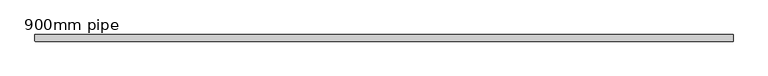
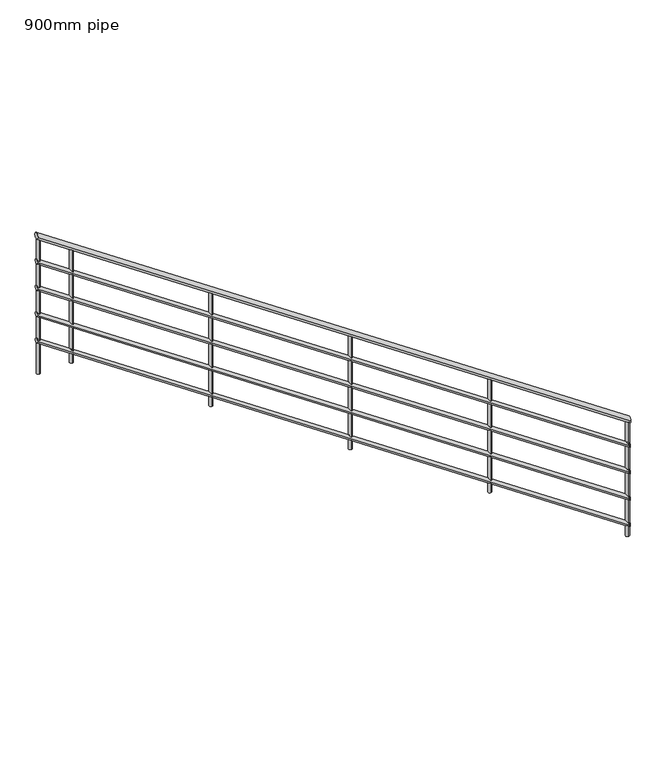
"""IFC4 building model written with IfcOpenShell, lengths in millimetres: railing geometry, 900mm pipe."""

from ifc_helpers import new_model, si_unit, frame, origin, place, context, project, spatial, circle_curve, ellipse_curve, source, transform, mapped, element, save
from ifc_brep_helpers import plane_surface, cylinder_surface, advanced_brep


def railing_900mm_pipe_7c5fc4c9(model_context):
    return source(origin(), model_context, "Body", "AdvancedBrep", [
        advanced_brep(
        [(5814.840733, -1112.1565905, -2004.7165383), (5814.840733, -1152.1565905, -2004.7165383), (1564.840733, -1112.1565905, 875.8390173), (1564.840733, -1152.1565905, 875.8390173)],
        [
            (0, 1, ellipse_curve(frame((5814.840733, -1132.1565905, -2004.7165383), z_axis=(1.0, 0.0, 0.0), x_axis=(0.0, 0.0, -1.0)), 24.1609827, 20.0)),
            (1, 0, ellipse_curve(frame((5814.840733, -1132.1565905, -2004.7165383), z_axis=(1.0, 0.0, 0.0), x_axis=(0.0, 0.0, -1.0)), 24.1609827, 20.0)),
            (2, 3, ellipse_curve(frame((1564.840733, -1132.1565905, 875.8390173), z_axis=(-1.0, 0.0, 0.0), x_axis=(0.0, 0.0, -1.0)), 24.1609827, 20.0)),
            (3, 2, ellipse_curve(frame((1564.840733, -1132.1565905, 875.8390173), z_axis=(-1.0, 0.0, 0.0), x_axis=(0.0, 0.0, -1.0)), 24.1609827, 20.0)),
            (0, 2),
            (3, 1),
        ],
        [
            plane_surface(frame((5814.840733, -1132.1565905, -1980.5555556), z_axis=(1.0, 0.0, 0.0), x_axis=(0.0, -1.0, 0.0))),
            plane_surface(frame((1564.840733, -1132.1565905, 900.0), z_axis=(-1.0, 0.0, 0.0), x_axis=(0.0, -1.0, 0.0))),
            cylinder_surface(frame((5803.6197031, -1132.1565905, -1997.1111735), z_axis=(0.8277808988368524, 0.0, -0.5610514981005335), x_axis=(0.0, -1.0, 0.0)), 20.0),
        ],
        [
            (0, [[1, 2]]),
            (1, [[3, 4]]),
            (2, [[-1, 5, -4, 6]]),
            (2, [[-2, -6, -3, -5]]),
        ],
    ),
        advanced_brep(
        [(5814.840733, -1117.1565905, -2198.6762926), (5814.840733, -1147.1565905, -2198.6762926), (1564.840733, -1117.1565905, 681.879263), (1564.840733, -1147.1565905, 681.879263)],
        [
            (0, 1, ellipse_curve(frame((5814.840733, -1132.1565905, -2198.6762926), z_axis=(1.0, 0.0, 0.0), x_axis=(0.0, 0.0, -1.0)), 18.120737, 15.0)),
            (1, 0, ellipse_curve(frame((5814.840733, -1132.1565905, -2198.6762926), z_axis=(1.0, 0.0, 0.0), x_axis=(0.0, 0.0, -1.0)), 18.120737, 15.0)),
            (2, 3, ellipse_curve(frame((1564.840733, -1132.1565905, 681.879263), z_axis=(-1.0, 0.0, 0.0), x_axis=(0.0, 0.0, -1.0)), 18.120737, 15.0)),
            (3, 2, ellipse_curve(frame((1564.840733, -1132.1565905, 681.879263), z_axis=(-1.0, 0.0, 0.0), x_axis=(0.0, 0.0, -1.0)), 18.120737, 15.0)),
            (0, 2),
            (3, 1),
        ],
        [
            plane_surface(frame((5814.840733, -1132.1565905, -2180.5555556), z_axis=(1.0, 0.0, 0.0), x_axis=(0.0, -1.0, 0.0))),
            plane_surface(frame((1564.840733, -1132.1565905, 700.0), z_axis=(-1.0, 0.0, 0.0), x_axis=(0.0, -1.0, 0.0))),
            cylinder_surface(frame((5806.4249606, -1132.1565905, -2192.972269), z_axis=(0.8277808988368524, 0.0, -0.5610514981005335), x_axis=(0.0, -1.0, 0.0)), 15.0),
        ],
        [
            (0, [[1, 2]]),
            (1, [[3, 4]]),
            (2, [[-1, 5, -4, 6]]),
            (2, [[-2, -6, -3, -5]]),
        ],
    ),
        advanced_brep(
        [(5814.840733, -1117.1565905, -2398.6762926), (5814.840733, -1147.1565905, -2398.6762926), (1564.840733, -1117.1565905, 481.879263), (1564.840733, -1147.1565905, 481.879263)],
        [
            (0, 1, ellipse_curve(frame((5814.840733, -1132.1565905, -2398.6762926), z_axis=(1.0, 0.0, 0.0), x_axis=(0.0, 0.0, -1.0)), 18.120737, 15.0)),
            (1, 0, ellipse_curve(frame((5814.840733, -1132.1565905, -2398.6762926), z_axis=(1.0, 0.0, 0.0), x_axis=(0.0, 0.0, -1.0)), 18.120737, 15.0)),
            (2, 3, ellipse_curve(frame((1564.840733, -1132.1565905, 481.879263), z_axis=(-1.0, 0.0, 0.0), x_axis=(0.0, 0.0, -1.0)), 18.120737, 15.0)),
            (3, 2, ellipse_curve(frame((1564.840733, -1132.1565905, 481.879263), z_axis=(-1.0, 0.0, 0.0), x_axis=(0.0, 0.0, -1.0)), 18.120737, 15.0)),
            (0, 2),
            (3, 1),
        ],
        [
            plane_surface(frame((5814.840733, -1132.1565905, -2380.5555556), z_axis=(1.0, 0.0, 0.0), x_axis=(0.0, -1.0, 0.0))),
            plane_surface(frame((1564.840733, -1132.1565905, 500.0), z_axis=(-1.0, 0.0, 0.0), x_axis=(0.0, -1.0, 0.0))),
            cylinder_surface(frame((5806.4249606, -1132.1565905, -2392.972269), z_axis=(0.8277808988368524, 0.0, -0.5610514981005335), x_axis=(0.0, -1.0, 0.0)), 15.0),
        ],
        [
            (0, [[1, 2]]),
            (1, [[3, 4]]),
            (2, [[-1, 5, -4, 6]]),
            (2, [[-2, -6, -3, -5]]),
        ],
    ),
        advanced_brep(
        [(5814.840733, -1117.1565905, -2598.6762926), (5814.840733, -1147.1565905, -2598.6762926), (1564.840733, -1117.1565905, 281.879263), (1564.840733, -1147.1565905, 281.879263)],
        [
            (0, 1, ellipse_curve(frame((5814.840733, -1132.1565905, -2598.6762926), z_axis=(1.0, 0.0, 0.0), x_axis=(0.0, 0.0, -1.0)), 18.120737, 15.0)),
            (1, 0, ellipse_curve(frame((5814.840733, -1132.1565905, -2598.6762926), z_axis=(1.0, 0.0, 0.0), x_axis=(0.0, 0.0, -1.0)), 18.120737, 15.0)),
            (2, 3, ellipse_curve(frame((1564.840733, -1132.1565905, 281.879263), z_axis=(-1.0, 0.0, 0.0), x_axis=(0.0, 0.0, -1.0)), 18.120737, 15.0)),
            (3, 2, ellipse_curve(frame((1564.840733, -1132.1565905, 281.879263), z_axis=(-1.0, 0.0, 0.0), x_axis=(0.0, 0.0, -1.0)), 18.120737, 15.0)),
            (0, 2),
            (3, 1),
        ],
        [
            plane_surface(frame((5814.840733, -1132.1565905, -2580.5555556), z_axis=(1.0, 0.0, 0.0), x_axis=(0.0, -1.0, 0.0))),
            plane_surface(frame((1564.840733, -1132.1565905, 300.0), z_axis=(-1.0, 0.0, 0.0), x_axis=(0.0, -1.0, 0.0))),
            cylinder_surface(frame((5806.4249606, -1132.1565905, -2592.972269), z_axis=(0.8277808988368524, 0.0, -0.5610514981005335), x_axis=(0.0, -1.0, 0.0)), 15.0),
        ],
        [
            (0, [[1, 2]]),
            (1, [[3, 4]]),
            (2, [[-1, 5, -4, 6]]),
            (2, [[-2, -6, -3, -5]]),
        ],
    ),
        advanced_brep(
        [(5814.840733, -1117.1565905, -2798.6762926), (5814.840733, -1147.1565905, -2798.6762926), (1564.840733, -1117.1565905, 81.879263), (1564.840733, -1147.1565905, 81.879263)],
        [
            (0, 1, ellipse_curve(frame((5814.840733, -1132.1565905, -2798.6762926), z_axis=(1.0, 0.0, 0.0), x_axis=(0.0, 0.0, -1.0)), 18.120737, 15.0)),
            (1, 0, ellipse_curve(frame((5814.840733, -1132.1565905, -2798.6762926), z_axis=(1.0, 0.0, 0.0), x_axis=(0.0, 0.0, -1.0)), 18.120737, 15.0)),
            (2, 3, ellipse_curve(frame((1564.840733, -1132.1565905, 81.879263), z_axis=(-1.0, 0.0, 0.0), x_axis=(0.0, 0.0, -1.0)), 18.120737, 15.0)),
            (3, 2, ellipse_curve(frame((1564.840733, -1132.1565905, 81.879263), z_axis=(-1.0, 0.0, 0.0), x_axis=(0.0, 0.0, -1.0)), 18.120737, 15.0)),
            (0, 2),
            (3, 1),
        ],
        [
            plane_surface(frame((5814.840733, -1132.1565905, -2780.5555556), z_axis=(1.0, 0.0, 0.0), x_axis=(0.0, -1.0, 0.0))),
            plane_surface(frame((1564.840733, -1132.1565905, 100.0), z_axis=(-1.0, 0.0, 0.0), x_axis=(0.0, -1.0, 0.0))),
            cylinder_surface(frame((5806.4249606, -1132.1565905, -2792.972269), z_axis=(0.8277808988368524, 0.0, -0.5610514981005335), x_axis=(0.0, -1.0, 0.0)), 15.0),
        ],
        [
            (0, [[1, 2]]),
            (1, [[3, 4]]),
            (2, [[-1, 5, -4, 6]]),
            (2, [[-2, -6, -3, -5]]),
        ],
    ),
        advanced_brep(
        [(1814.840733, -1144.6565905, 690.5555556), (1814.840733, -1119.6565905, 690.5555556), (1814.840733, -1119.6565905, -169.4444444), (1814.840733, -1144.6565905, -169.4444444)],
        [
            (0, 1, ellipse_curve(frame((1814.840733, -1132.1565905, 690.5555556), z_axis=(-0.5610514981005325, 0.0, -0.8277808988368531), x_axis=(-0.8277808988368532, 0.0, 0.5610514981005321)), 15.1006142, 12.5)),
            (1, 2),
            (2, 3, circle_curve(frame((1814.840733, -1132.1565905, -169.4444444), z_axis=(0.0, 0.0, 1.0), x_axis=(0.0, 1.0, 0.0)), 12.5)),
            (3, 0),
            (3, 2, circle_curve(frame((1814.840733, -1132.1565905, -169.4444444), z_axis=(0.0, 0.0, 1.0), x_axis=(0.0, 1.0, 0.0)), 12.5)),
            (1, 0, ellipse_curve(frame((1814.840733, -1132.1565905, 690.5555556), z_axis=(-0.5610514981005325, 0.0, -0.8277808988368531), x_axis=(-0.8277808988368532, 0.0, 0.5610514981005321)), 15.1006142, 12.5)),
        ],
        [
            cylinder_surface(frame((1814.840733, -1132.1565905, -269.4444444), z_axis=(0.0, 0.0, 1.0), x_axis=(0.0, 1.0, 0.0)), 12.5),
            plane_surface(frame((1789.840733, -1107.1565905, 707.5), z_axis=(0.5610514981005325, 0.0, 0.8277808988368531), x_axis=(0.0, -1.0, 0.0))),
            plane_surface(frame((1839.840733, -1107.1565905, -169.4444444), z_axis=(0.0, 0.0, -1.0), x_axis=(0.0, -1.0, 0.0))),
        ],
        [
            (0, [[1, 2, 3, 4]]),
            (0, [[5, -2, 6, -4]]),
            (1, [[-6, -1]]),
            (2, [[-5, -3]]),
        ],
    ),
        advanced_brep(
        [(2814.840733, -1144.6565905, 12.7777778), (2814.840733, -1119.6565905, 12.7777778), (2814.840733, -1119.6565905, -847.2222222), (2814.840733, -1144.6565905, -847.2222222)],
        [
            (0, 1, ellipse_curve(frame((2814.840733, -1132.1565905, 12.7777778), z_axis=(-0.5610514981005325, 0.0, -0.8277808988368531), x_axis=(-0.8277808988368532, 0.0, 0.5610514981005321)), 15.1006142, 12.5)),
            (1, 2),
            (2, 3, circle_curve(frame((2814.840733, -1132.1565905, -847.2222222), z_axis=(0.0, 0.0, 1.0), x_axis=(0.0, 1.0, 0.0)), 12.5)),
            (3, 0),
            (3, 2, circle_curve(frame((2814.840733, -1132.1565905, -847.2222222), z_axis=(0.0, 0.0, 1.0), x_axis=(0.0, 1.0, 0.0)), 12.5)),
            (1, 0, ellipse_curve(frame((2814.840733, -1132.1565905, 12.7777778), z_axis=(-0.5610514981005325, 0.0, -0.8277808988368531), x_axis=(-0.8277808988368532, 0.0, 0.5610514981005321)), 15.1006142, 12.5)),
        ],
        [
            cylinder_surface(frame((2814.840733, -1132.1565905, -947.2222222), z_axis=(0.0, 0.0, 1.0), x_axis=(0.0, 1.0, 0.0)), 12.5),
            plane_surface(frame((2789.840733, -1107.1565905, 29.7222222), z_axis=(0.5610514981005325, 0.0, 0.8277808988368531), x_axis=(0.0, -1.0, 0.0))),
            plane_surface(frame((2839.840733, -1107.1565905, -847.2222222), z_axis=(0.0, 0.0, -1.0), x_axis=(0.0, -1.0, 0.0))),
        ],
        [
            (0, [[1, 2, 3, 4]]),
            (0, [[5, -2, 6, -4]]),
            (1, [[-6, -1]]),
            (2, [[-5, -3]]),
        ],
    ),
        advanced_brep(
        [(3814.840733, -1144.6565905, -665.0), (3814.840733, -1119.6565905, -665.0), (3814.840733, -1119.6565905, -1525.0), (3814.840733, -1144.6565905, -1525.0)],
        [
            (0, 1, ellipse_curve(frame((3814.840733, -1132.1565905, -665.0), z_axis=(-0.5610514981005325, 0.0, -0.8277808988368531), x_axis=(-0.8277808988368532, 0.0, 0.5610514981005321)), 15.1006142, 12.5)),
            (1, 2),
            (2, 3, circle_curve(frame((3814.840733, -1132.1565905, -1525.0), z_axis=(0.0, 0.0, 1.0), x_axis=(0.0, 1.0, 0.0)), 12.5)),
            (3, 0),
            (3, 2, circle_curve(frame((3814.840733, -1132.1565905, -1525.0), z_axis=(0.0, 0.0, 1.0), x_axis=(0.0, 1.0, 0.0)), 12.5)),
            (1, 0, ellipse_curve(frame((3814.840733, -1132.1565905, -665.0), z_axis=(-0.5610514981005325, 0.0, -0.8277808988368531), x_axis=(-0.8277808988368532, 0.0, 0.5610514981005321)), 15.1006142, 12.5)),
        ],
        [
            cylinder_surface(frame((3814.840733, -1132.1565905, -1625.0), z_axis=(0.0, 0.0, 1.0), x_axis=(0.0, 1.0, 0.0)), 12.5),
            plane_surface(frame((3789.840733, -1107.1565905, -648.0555556), z_axis=(0.5610514981005325, 0.0, 0.8277808988368531), x_axis=(0.0, -1.0, 0.0))),
            plane_surface(frame((3839.840733, -1107.1565905, -1525.0), z_axis=(0.0, 0.0, -1.0), x_axis=(0.0, -1.0, 0.0))),
        ],
        [
            (0, [[1, 2, 3, 4]]),
            (0, [[5, -2, 6, -4]]),
            (1, [[-6, -1]]),
            (2, [[-5, -3]]),
        ],
    ),
        advanced_brep(
        [(4814.840733, -1144.6565905, -1342.7777778), (4814.840733, -1119.6565905, -1342.7777778), (4814.840733, -1119.6565905, -2202.7777778), (4814.840733, -1144.6565905, -2202.7777778)],
        [
            (0, 1, ellipse_curve(frame((4814.840733, -1132.1565905, -1342.7777778), z_axis=(-0.5610514981005325, 0.0, -0.8277808988368531), x_axis=(-0.8277808988368532, 0.0, 0.5610514981005321)), 15.1006142, 12.5)),
            (1, 2),
            (2, 3, circle_curve(frame((4814.840733, -1132.1565905, -2202.7777778), z_axis=(0.0, 0.0, 1.0), x_axis=(0.0, 1.0, 0.0)), 12.5)),
            (3, 0),
            (3, 2, circle_curve(frame((4814.840733, -1132.1565905, -2202.7777778), z_axis=(0.0, 0.0, 1.0), x_axis=(0.0, 1.0, 0.0)), 12.5)),
            (1, 0, ellipse_curve(frame((4814.840733, -1132.1565905, -1342.7777778), z_axis=(-0.5610514981005325, 0.0, -0.8277808988368531), x_axis=(-0.8277808988368532, 0.0, 0.5610514981005321)), 15.1006142, 12.5)),
        ],
        [
            cylinder_surface(frame((4814.840733, -1132.1565905, -2302.7777778), z_axis=(0.0, 0.0, 1.0), x_axis=(0.0, 1.0, 0.0)), 12.5),
            plane_surface(frame((4789.840733, -1107.1565905, -1325.8333333), z_axis=(0.5610514981005325, 0.0, 0.8277808988368531), x_axis=(0.0, -1.0, 0.0))),
            plane_surface(frame((4839.840733, -1107.1565905, -2202.7777778), z_axis=(0.0, 0.0, -1.0), x_axis=(0.0, -1.0, 0.0))),
        ],
        [
            (0, [[1, 2, 3, 4]]),
            (0, [[5, -2, 6, -4]]),
            (1, [[-6, -1]]),
            (2, [[-5, -3]]),
        ],
    ),
        advanced_brep(
        [(1577.340733, -1144.6565905, 851.5277778), (1577.340733, -1119.6565905, 851.5277778), (1577.340733, -1119.6565905, -169.4444444), (1577.340733, -1144.6565905, -169.4444444)],
        [
            (0, 1, ellipse_curve(frame((1577.340733, -1132.1565905, 851.5277778), z_axis=(-0.5610514981005325, 0.0, -0.8277808988368531), x_axis=(-0.8277808988368532, 0.0, 0.5610514981005321)), 15.1006142, 12.5)),
            (1, 2),
            (2, 3, circle_curve(frame((1577.340733, -1132.1565905, -169.4444444), z_axis=(0.0, 0.0, 1.0), x_axis=(0.0, 1.0, 0.0)), 12.5)),
            (3, 0),
            (3, 2, circle_curve(frame((1577.340733, -1132.1565905, -169.4444444), z_axis=(0.0, 0.0, 1.0), x_axis=(0.0, 1.0, 0.0)), 12.5)),
            (1, 0, ellipse_curve(frame((1577.340733, -1132.1565905, 851.5277778), z_axis=(-0.5610514981005325, 0.0, -0.8277808988368531), x_axis=(-0.8277808988368532, 0.0, 0.5610514981005321)), 15.1006142, 12.5)),
        ],
        [
            cylinder_surface(frame((1577.340733, -1132.1565905, -269.4444444), z_axis=(0.0, 0.0, 1.0), x_axis=(0.0, 1.0, 0.0)), 12.5),
            plane_surface(frame((1552.340733, -1107.1565905, 868.4722222), z_axis=(0.5610514981005325, 0.0, 0.8277808988368531), x_axis=(0.0, -1.0, 0.0))),
            plane_surface(frame((1602.340733, -1107.1565905, -169.4444444), z_axis=(0.0, 0.0, -1.0), x_axis=(0.0, -1.0, 0.0))),
        ],
        [
            (0, [[1, 2, 3, 4]]),
            (0, [[5, -2, 6, -4]]),
            (1, [[-6, -1]]),
            (2, [[-5, -3]]),
        ],
    ),
        advanced_brep(
        [(5802.340733, -1144.6565905, -2012.0833333), (5802.340733, -1119.6565905, -2012.0833333), (5802.340733, -1119.6565905, -2880.5555556), (5802.340733, -1144.6565905, -2880.5555556)],
        [
            (0, 1, ellipse_curve(frame((5802.340733, -1132.1565905, -2012.0833333), z_axis=(-0.5610514981005339, 0.0, -0.827780898836852), x_axis=(-0.8277808988368521, 0.0, 0.5610514981005339)), 15.1006142, 12.5)),
            (1, 2),
            (2, 3, circle_curve(frame((5802.340733, -1132.1565905, -2880.5555556), z_axis=(0.0, 0.0, 1.0), x_axis=(0.0, 1.0, 0.0)), 12.5)),
            (3, 0),
            (3, 2, circle_curve(frame((5802.340733, -1132.1565905, -2880.5555556), z_axis=(0.0, 0.0, 1.0), x_axis=(0.0, 1.0, 0.0)), 12.5)),
            (1, 0, ellipse_curve(frame((5802.340733, -1132.1565905, -2012.0833333), z_axis=(-0.5610514981005339, 0.0, -0.827780898836852), x_axis=(-0.8277808988368521, 0.0, 0.5610514981005339)), 15.1006142, 12.5)),
        ],
        [
            cylinder_surface(frame((5802.340733, -1132.1565905, -2980.5555556), z_axis=(0.0, 0.0, 1.0), x_axis=(0.0, 1.0, 0.0)), 12.5),
            plane_surface(frame((5777.340733, -1107.1565905, -1995.1388889), z_axis=(0.5610514981005339, 0.0, 0.827780898836852), x_axis=(0.0, -1.0, 0.0))),
            plane_surface(frame((5827.340733, -1107.1565905, -2880.5555556), z_axis=(0.0, 0.0, -1.0), x_axis=(0.0, -1.0, 0.0))),
        ],
        [
            (0, [[1, 2, 3, 4]]),
            (0, [[5, -2, 6, -4]]),
            (1, [[-6, -1]]),
            (2, [[-5, -3]]),
        ],
    ),
    ])


if __name__ == "__main__":
    model = new_model("IFC4")
    model_context = context("Model", 3, world=origin())
    ifc_project = project(units=[si_unit("LENGTHUNIT", "METRE", prefix="MILLI")], contexts=[model_context])
    site = spatial("IfcSite", under=ifc_project)
    building = spatial("IfcBuilding", under=site)
    placement = place(None, origin())
    railing_900mm_pipe_shape = railing_900mm_pipe_7c5fc4c9(model_context)
    element("IfcRailing", 1, ObjectType="900mm pipe", at=placement, inside=building, context=model_context, shape_type="MappedRepresentation", body=[
        mapped(railing_900mm_pipe_shape, transform((0.0, 0.0, 0.0), x_axis=(1.0, 0.0, 0.0), y_axis=(0.0, 1.0, 0.0), z_axis=(0.0, 0.0, 1.0))),
    ])
    save(model, "model.ifc")
